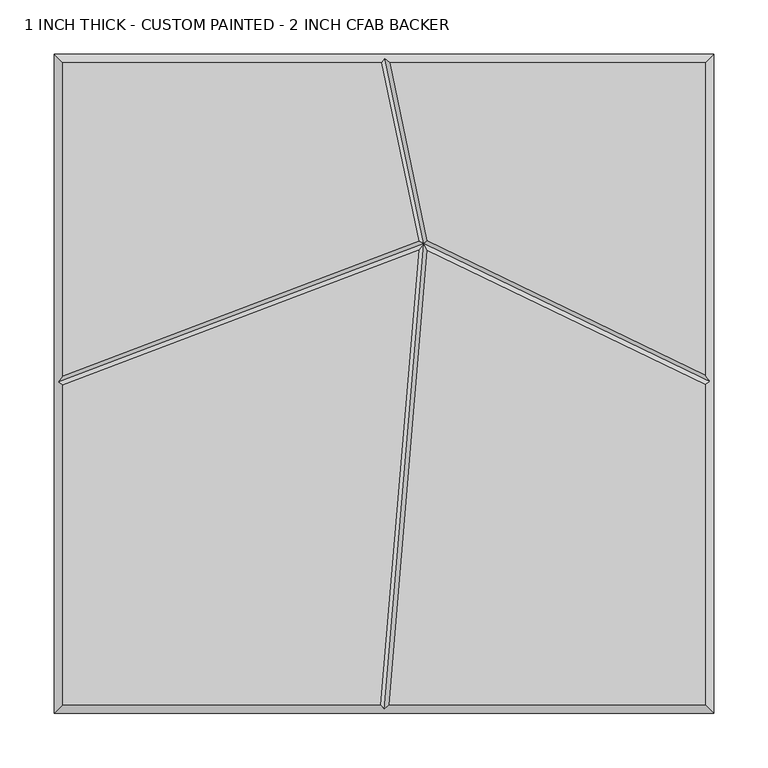
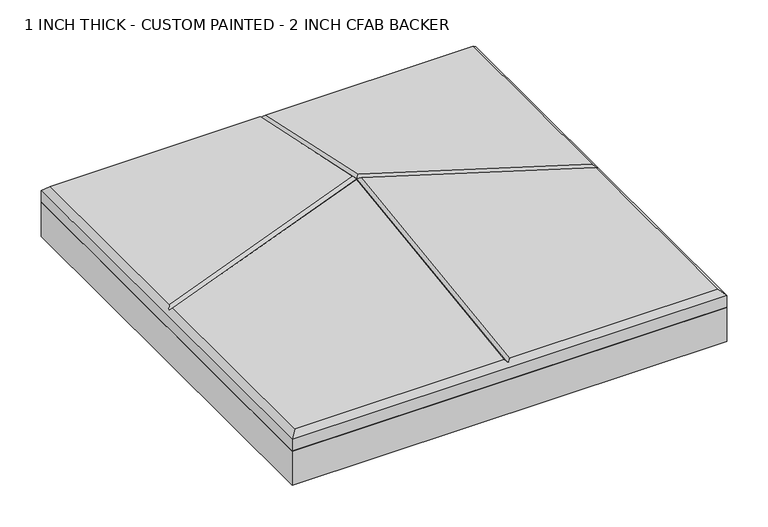
"""IFC4 building model written with IfcOpenShell, lengths in millimetres: proxy geometry, 1 INCH THICK - CUSTOM PAINTED - 2 INCH CFAB BACKER."""

import ifcopenshell
import ifcopenshell.guid

model = None  # the IFC model being written
_history = None  # IfcOwnerHistory: only IFC2X3 demands one
_inside = {}  # id of a spatial element -> (the spatial element, [elements in it])
_under = {}  # id of a project, library or spatial element -> (it, [spatial elements below it])
_declared = {}  # id of a project -> (the project, [libraries it declares])
_typed = {}  # id of a type object -> (the type object, [elements of that type])
_made_of = {}  # id of a material, layer set ... -> (it, [elements and type objects made of it])


def new_model(schema):
    """Start an empty IFC model of exactly this schema.

    Asked for "IFC4X3", IfcOpenShell would pick the latest addendum, in which some entities
    have other attributes; the version numbers below select the first issue.
    IFC2X3 requires an IfcOwnerHistory on every rooted entity: one is made here for all.
    """
    global model, _history
    if schema == "IFC4X3":
        model = ifcopenshell.file(schema_version=(4, 3, 0, 0))
    else:
        model = ifcopenshell.file(schema=schema)
    _inside.clear()
    _under.clear()
    _declared.clear()
    _typed.clear()
    _made_of.clear()
    _history = None
    if model.schema == "IFC2X3":
        org = make("IfcOrganization", Name="unknown")
        user = make(
            "IfcPersonAndOrganization",
            ThePerson=make("IfcPerson", FamilyName="unknown"),
            TheOrganization=org,
        )
        app = make(
            "IfcApplication",
            ApplicationDeveloper=org,
            Version="unknown",
            ApplicationFullName="unknown",
            ApplicationIdentifier="unknown",
        )
        _history = make(
            "IfcOwnerHistory",
            OwningUser=user,
            OwningApplication=app,
            ChangeAction="ADDED",
            CreationDate=0,
        )
    return model


def make(cls, **values):
    """One entity of the class cls with the attributes given. An attribute that is None is left unset."""
    return model.create_entity(
        cls, **{name: value for name, value in values.items() if value is not None}
    )


def rooted(cls, **values):
    """An entity with a GlobalId (a new one), such as an element, a storey or a relation."""
    return make(cls, GlobalId=ifcopenshell.guid.new(), OwnerHistory=_history, **values)


def si_unit(unit_type, name, prefix=None):
    """IfcSIUnit, for example si_unit("LENGTHUNIT", "METRE", prefix="MILLI")."""
    return make("IfcSIUnit", UnitType=unit_type, Prefix=prefix, Name=name)


def assignment(units):
    """IfcUnitAssignment: the units of a project."""
    return None if units is None else make("IfcUnitAssignment", Units=units)


def point(xyz):
    """IfcCartesianPoint."""
    return None if xyz is None else make("IfcCartesianPoint", Coordinates=xyz)


def direction(xyz):
    """IfcDirection."""
    return None if xyz is None else make("IfcDirection", DirectionRatios=xyz)


def frame(location, z_axis=None, x_axis=None):
    """IfcAxis2Placement3D, a coordinate frame: its origin and axes. An axis left out is left unset."""
    return make(
        "IfcAxis2Placement3D",
        Location=point(location),
        Axis=direction(z_axis),
        RefDirection=direction(x_axis),
    )


def origin():
    """The frame at (0, 0, 0) with its axes left unset."""
    return frame((0.0, 0.0, 0.0))


def place(relative_to, where):
    """IfcLocalPlacement: puts the frame where relative to a parent placement (None: the world)."""
    return make(
        "IfcLocalPlacement", PlacementRelTo=relative_to, RelativePlacement=where
    )


def context(
    kind, dimensions, precision=None, world=None, true_north=None, identifier=None
):
    """IfcGeometricRepresentationContext, for example the 3D "Model" context."""
    return make(
        "IfcGeometricRepresentationContext",
        ContextIdentifier=identifier,
        ContextType=kind,
        CoordinateSpaceDimension=dimensions,
        Precision=precision,
        WorldCoordinateSystem=world,
        TrueNorth=true_north,
    )


def project(units=None, contexts=None):
    """IfcProject with its units and contexts."""
    return rooted(
        "IfcProject",
        Name="project",
        RepresentationContexts=contexts,
        UnitsInContext=assignment(units),
    )


def spatial(cls, under=None, at=None, **own):
    """A site, building, storey or space (cls), placed at a placement, below another one or the project."""
    s = rooted(cls, ObjectPlacement=at, **own)
    if under is not None:
        _under.setdefault(under.id(), (under, []))[1].append(s)
    return s


def polyline(points):
    """IfcPolyline through the points."""
    return make("IfcPolyline", Points=[point(p) for p in points])


def outline(outer, holes=None, kind="AREA"):
    """IfcArbitraryClosedProfileDef: a profile drawn as a closed curve; with holes, ...WithVoids."""
    if holes is None:
        return make("IfcArbitraryClosedProfileDef", ProfileType=kind, OuterCurve=outer)
    return make(
        "IfcArbitraryProfileDefWithVoids",
        ProfileType=kind,
        OuterCurve=outer,
        InnerCurves=holes,
    )


def extrude(swept, where, along, depth):
    """IfcExtrudedAreaSolid: the profile swept, set in the frame where, extruded along a direction by depth."""
    return make(
        "IfcExtrudedAreaSolid",
        SweptArea=swept,
        Position=where,
        ExtrudedDirection=direction(along),
        Depth=depth,
    )


def faces_of(points, faces, orient=None, outer=None):
    """IfcFace entities. A face is a list of loops; a loop is a list of indices into points, from 0.

    orient and outer hold one flag for each loop. By default every Orientation is true, the
    first loop of a face is its IfcFaceOuterBound and the others are IfcFaceBound.
    """
    made = []
    for i, loops in enumerate(faces):
        bounds = []
        for j, loop in enumerate(loops):
            is_outer = j == 0 if outer is None else outer[i][j]
            bounds.append(
                make(
                    "IfcFaceOuterBound" if is_outer else "IfcFaceBound",
                    Bound=make("IfcPolyLoop", Polygon=[points[k] for k in loop]),
                    Orientation=True if orient is None else orient[i][j],
                )
            )
        made.append(make("IfcFace", Bounds=bounds))
    return made


def faceted_brep(points, faces, orient=None, outer=None, voids=None):
    """IfcFacetedBrep: a solid bounded by flat faces; with voids (closed shells), ...WithVoids."""
    shared = [point(p) for p in points]
    hull = make("IfcClosedShell", CfsFaces=faces_of(shared, faces, orient, outer))
    if voids is None:
        return make("IfcFacetedBrep", Outer=hull)
    return make(
        "IfcFacetedBrepWithVoids",
        Outer=hull,
        Voids=[
            make(cls, CfsFaces=faces_of(shared, fs, o, b)) for cls, fs, o, b in voids
        ],
    )


def shape(context_of_items, identifier, shape_type, items):
    """IfcShapeRepresentation: the items that make up one representation, for example the "Body"."""
    return make(
        "IfcShapeRepresentation",
        ContextOfItems=context_of_items,
        RepresentationIdentifier=identifier,
        RepresentationType=shape_type,
        Items=items,
    )


def source(mapping_origin, context_of_items, identifier, shape_type, items):
    """IfcRepresentationMap: a shape defined once, which mapped items show again and again."""
    return make(
        "IfcRepresentationMap",
        MappingOrigin=mapping_origin,
        MappedRepresentation=shape(context_of_items, identifier, shape_type, items),
    )


def transform(
    local_origin,
    x_axis=None,
    y_axis=None,
    z_axis=None,
    scale=None,
    scale2=None,
    scale3=None,
    uniform=True,
):
    """IfcCartesianTransformationOperator3D, or its non-uniform kind. x_axis, y_axis, z_axis: its Axis1, 2, 3."""
    if uniform:
        return make(
            "IfcCartesianTransformationOperator3D",
            Axis1=direction(x_axis),
            Axis2=direction(y_axis),
            LocalOrigin=point(local_origin),
            Scale=scale,
            Axis3=direction(z_axis),
        )
    return make(
        "IfcCartesianTransformationOperator3DnonUniform",
        Axis1=direction(x_axis),
        Axis2=direction(y_axis),
        LocalOrigin=point(local_origin),
        Scale=scale,
        Axis3=direction(z_axis),
        Scale2=scale2,
        Scale3=scale3,
    )


def mapped(mapping_source, mapping_target):
    """IfcMappedItem: shows the shape of a source again, moved by a transform."""
    return make(
        "IfcMappedItem", MappingSource=mapping_source, MappingTarget=mapping_target
    )


def made_of(thing, what):
    """Note that an element or type object is made of a material, layer set ...; save() writes the relation."""
    if what is not None:
        _made_of.setdefault(what.id(), (what, []))[1].append(thing)
    return thing


def element(
    cls,
    number,
    at=None,
    inside=None,
    cuts=None,
    type_object=None,
    material=None,
    context=None,
    identifier="Body",
    shape_type=None,
    held_by="IfcProductDefinitionShape",
    body=None,
    shapes=None,
    **own,
):
    """One element of the class cls, such as IfcWall. Its Tag is "e" and its number.

    at: its placement. inside: the storey or other place that contains it. cuts: it is an
    opening in that element (IfcRelVoidsElement). A single representation is given by context,
    identifier, shape_type and body (its items); several are given by shapes. held_by: the class
    of the entity that holds the representations. save() writes the other relations.
    """
    e = rooted(cls, Tag="e%d" % number, ObjectPlacement=at, **own)
    if body is not None:
        shapes = [shape(context, identifier, shape_type, body)]
    if shapes is not None:
        e.Representation = make(held_by, Representations=shapes)
    if inside is not None:
        _inside.setdefault(inside.id(), (inside, []))[1].append(e)
    if cuts is not None:
        rooted(
            "IfcRelVoidsElement", RelatingBuildingElement=cuts, RelatedOpeningElement=e
        )
    if type_object is not None:
        _typed.setdefault(type_object.id(), (type_object, []))[1].append(e)
    return made_of(e, material)


def aggregate(whole, parts):
    """IfcRelAggregates: a whole, such as a stair, and the parts it consists of."""
    return rooted("IfcRelAggregates", RelatingObject=whole, RelatedObjects=parts)


def save(model, path):
    """Write the relations noted so far, then the file.

    IfcRelAggregates (storeys below a building ...), IfcRelContainedInSpatialStructure (elements
    in a storey), IfcRelDefinesByType, IfcRelAssociatesMaterial and IfcRelDeclares: one each for
    every whole, place, type object, material and project.
    """
    for whole, parts in _under.values():
        aggregate(whole, parts)
    for where, things in _inside.values():
        rooted(
            "IfcRelContainedInSpatialStructure",
            RelatedElements=things,
            RelatingStructure=where,
        )
    for kind, things in _typed.values():
        rooted("IfcRelDefinesByType", RelatedObjects=things, RelatingType=kind)
    for what, things in _made_of.values():
        rooted("IfcRelAssociatesMaterial", RelatedObjects=things, RelatingMaterial=what)
    for by, libraries in _declared.values():
        rooted("IfcRelDeclares", RelatingContext=by, RelatedDefinitions=libraries)
    model.write(path)


def proxy_1_inch_thick_custom_painted_2_inch_cfab_backer_ed18b6ed(model_context):
    return source(origin(), model_context, "Body", "SolidModel", [
        extrude(outline(polyline([(-304.8, 304.8), (304.8, 304.8), (304.8, -304.8), (-304.8, -304.8), (-304.8, 304.8)])), frame((0.0, 0.0, -50.8), z_axis=(0.0, 0.0, 1.0), x_axis=(1.0, 0.0, 0.0)), (0.0, 0.0, 1.0), 50.8),
        faceted_brep([(-296.799, -1.2448936, 25.4), (-296.799, -296.799, 25.4), (-3.3400901, -296.799, 25.4), (32.0932726, 123.4506539, 25.4), (-296.799, 296.799, 25.4), (-296.799, 7.3118593, 25.4), (31.9984357, 131.9714505, 25.4), (-2.4162247, 296.799, 25.4), (296.799, -296.799, 25.4), (296.799, -0.5803511, 25.4), (40.1110006, 123.3123478, 25.4), (4.6892992, -296.799, 25.4), (296.799, 8.3038558, 25.4), (296.799, 296.799, 25.4), (5.757313, 296.799, 25.4), (40.1265394, 132.1890548, 25.4), (-304.8, 304.8, 0.0), (304.8, 304.8, 0.0), (304.8, -304.8, 0.0), (-304.8, -304.8, 0.0), (-304.8, -304.8, 17.399), (-304.8, 304.8, 17.399), (304.8, -304.8, 17.399), (304.8, 304.8, 17.399), (0.8352721, 300.7995, 21.3995), (-300.7995, 1.5167414, 21.3995), (0.3373023, -300.7995, 21.3995), (300.7995, 1.9308762, 21.3995), (36.6131869, 129.4427015, 21.3995)], [[[0, 1, 2, 3]], [[4, 5, 6, 7]], [[8, 9, 10, 11]], [[12, 13, 14, 15]], [[16, 17, 18, 19]], [[16, 19, 20, 21]], [[19, 18, 22, 20]], [[18, 17, 23, 22]], [[17, 16, 21, 23]], [[21, 4, 7, 24, 14, 13, 23]], [[4, 21, 20, 1, 0, 25, 5]], [[1, 20, 22, 8, 11, 26, 2]], [[23, 13, 12, 27, 9, 8, 22]], [[27, 28, 10, 9]], [[28, 27, 12, 15]], [[28, 25, 0, 3]], [[25, 28, 6, 5]], [[24, 28, 15, 14]], [[28, 24, 7, 6]], [[28, 26, 11, 10]], [[26, 28, 3, 2]]]),
    ])


if __name__ == "__main__":
    model = new_model("IFC4")
    model_context = context("Model", 3, world=origin())
    ifc_project = project(units=[si_unit("LENGTHUNIT", "METRE", prefix="MILLI")], contexts=[model_context])
    site = spatial("IfcSite", under=ifc_project)
    building = spatial("IfcBuilding", under=site)
    placement = place(None, origin())
    proxy_1_inch_thick_custom_painted_2_inch_cfab_backer_shape = proxy_1_inch_thick_custom_painted_2_inch_cfab_backer_ed18b6ed(model_context)
    element("IfcBuildingElementProxy", 1, Name="1 INCH THICK - CUSTOM PAINTED - 2 INCH CFAB BACKER", ObjectType="1 INCH THICK - CUSTOM PAINTED - 2 INCH CFAB BACKER", at=placement, inside=building, context=model_context, shape_type="MappedRepresentation", body=[
        mapped(proxy_1_inch_thick_custom_painted_2_inch_cfab_backer_shape, transform((0.0, 0.0, 0.0), x_axis=(1.0, 0.0, 0.0), y_axis=(0.0, 1.0, 0.0), z_axis=(0.0, 0.0, 1.0))),
    ])
    save(model, "model.ifc")
